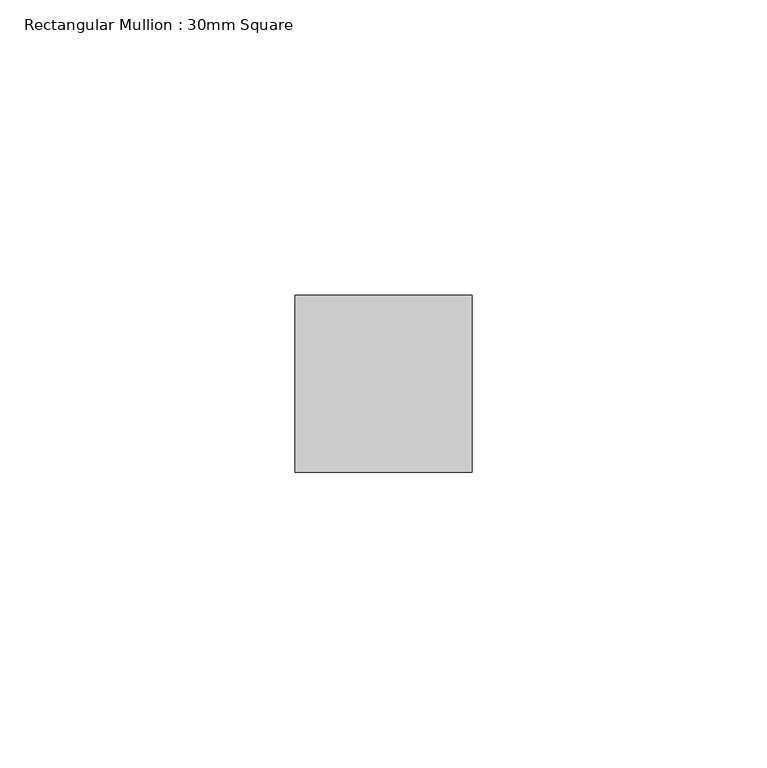
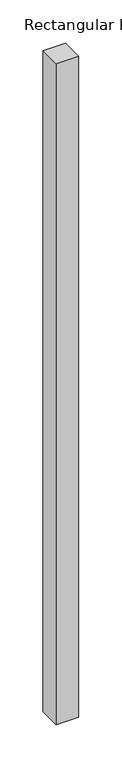
"""IFC4 building model written with IfcOpenShell, lengths in millimetres: member geometry, Rectangular Mullion : 30mm Square."""

from ifc_helpers import new_model, si_unit, frame, origin, place, context, project, spatial, polyline, outline, extrude, source, transform, mapped, element, save


def rectangular_mullion_30mm_square_94996622(model_context):
    return source(origin(), model_context, "Body", "SweptSolid", [
        extrude(outline(polyline([(0.0, 15.0), (0.0, -15.0), (-30.0, -15.0), (-30.0, 15.0), (0.0, 15.0)])), frame((0.0, 0.0, -930.5291604), z_axis=(0.0, 0.0, 1.0), x_axis=(1.0, 0.0, 0.0)), (0.0, 0.0, 1.0), 930.5291604),
    ])


if __name__ == "__main__":
    model = new_model("IFC4")
    model_context = context("Model", 3, world=origin())
    ifc_project = project(units=[si_unit("LENGTHUNIT", "METRE", prefix="MILLI")], contexts=[model_context])
    site = spatial("IfcSite", under=ifc_project)
    building = spatial("IfcBuilding", under=site)
    placement = place(None, origin())
    rectangular_mullion_30mm_square_shape = rectangular_mullion_30mm_square_94996622(model_context)
    element("IfcMember", 1, ObjectType="Rectangular Mullion : 30mm Square", at=placement, inside=building, context=model_context, shape_type="MappedRepresentation", body=[
        mapped(rectangular_mullion_30mm_square_shape, transform((0.0, 0.0, 0.0), x_axis=(1.0, 0.0, 0.0), y_axis=(0.0, 1.0, 0.0), z_axis=(0.0, 0.0, 1.0))),
    ])
    save(model, "model.ifc")
